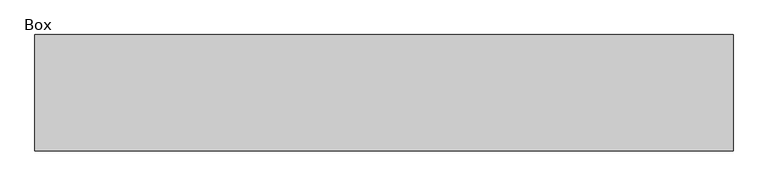
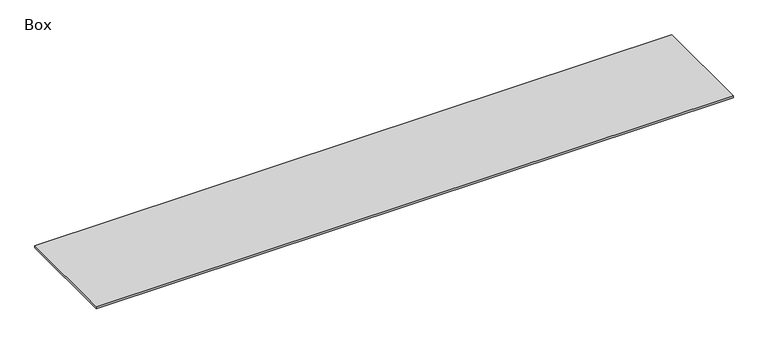
"""IFC4 building model written with IfcOpenShell, lengths in millimetres: furniture geometry, Box."""

from ifc_helpers import new_model, si_unit, origin, origin_with_axes, place, context, project, spatial, polyline, outline, extrude, source, transform, mapped, element, save


def box_1fb4da44(model_context):
    return source(origin(), model_context, "Body", "SweptSolid", [
        extrude(outline(polyline([(2044.7, 105.0465234), (2044.7, -504.5534766), (-1612.9, -504.5534766), (-1612.9, 105.0465234), (2044.7, 105.0465234)])), origin_with_axes(), (0.0, 0.0, 1.0), 12.7),
    ])


if __name__ == "__main__":
    model = new_model("IFC4")
    model_context = context("Model", 3, world=origin())
    ifc_project = project(units=[si_unit("LENGTHUNIT", "METRE", prefix="MILLI")], contexts=[model_context])
    site = spatial("IfcSite", under=ifc_project)
    building = spatial("IfcBuilding", under=site)
    placement = place(None, origin())
    box_shape = box_1fb4da44(model_context)
    element("IfcFurniture", 1, ObjectType="Box", at=placement, inside=building, context=model_context, shape_type="MappedRepresentation", body=[
        mapped(box_shape, transform((0.0, 0.0, 0.0), x_axis=(1.0, 0.0, 0.0), y_axis=(0.0, 1.0, 0.0), z_axis=(0.0, 0.0, 1.0))),
    ])
    save(model, "model.ifc")
